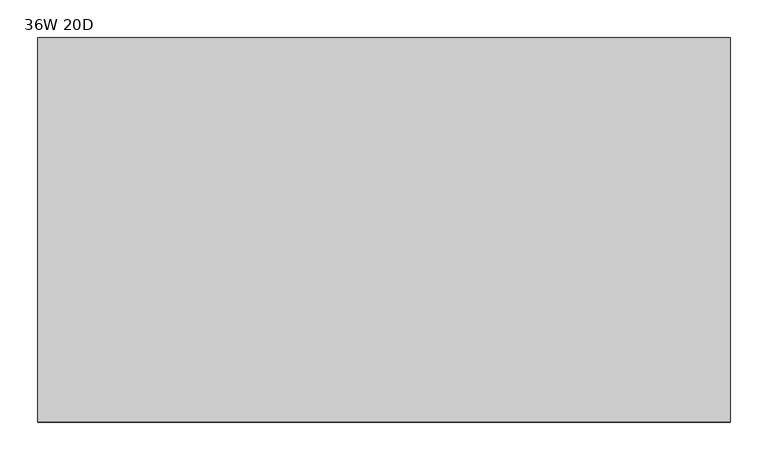
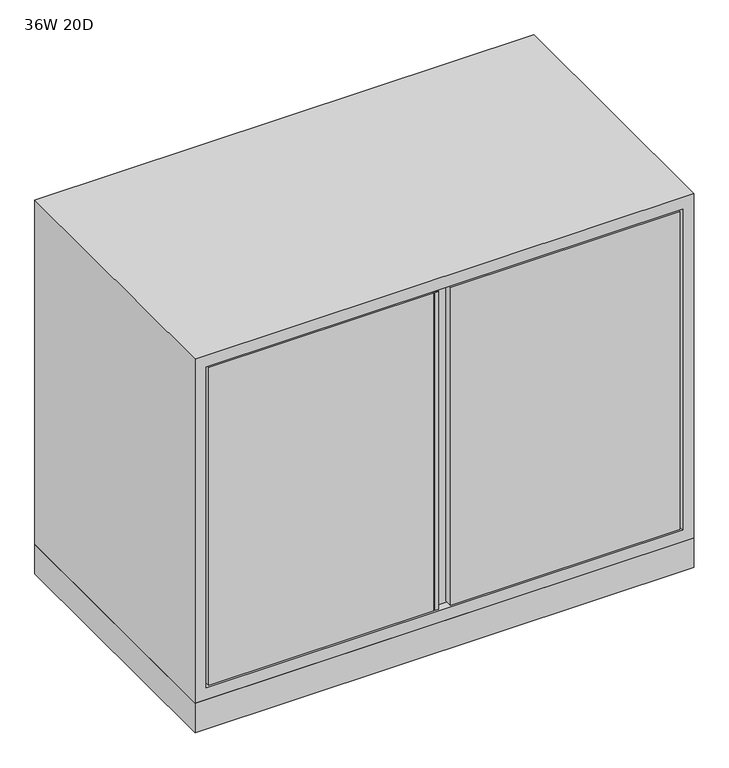
"""IFC4 building model written with IfcOpenShell, lengths in millimetres: furniture geometry, 36W 20D."""

from ifc_helpers import new_model, si_unit, frame, origin, origin_with_axes, place, context, project, spatial, polyline, outline, extrude, faceted_brep, source, transform, mapped, element, save


def furniture_36w_20d_6855e9e8(model_context):
    return source(origin(), model_context, "Body", "SolidModel", [
        extrude(outline(polyline([(440.4641351, -508.0), (440.4641351, -493.0648), (441.3578941, -493.0648), (441.3578941, -507.1057436), (446.8141351, -507.1057436), (446.8141351, -508.0), (440.4641351, -508.0)])), frame((0.0, 0.0, 82.55), z_axis=(0.0, 0.0, 1.0), x_axis=(1.0, 0.0, 0.0)), (0.0, 0.0, 1.0), 615.95),
        faceted_brep([(25.4000008, -493.0648, 82.55), (436.8827476, -493.0648, 82.55), (436.8827476, -508.0, 82.55), (25.4000008, -508.0, 82.55), (0.0, 0.0, 723.9), (0.0, -508.0, 723.9), (914.4, -508.0, 723.9), (914.4, 0.0, 723.9), (0.0, -508.0, 57.15), (914.4, -508.0, 57.15), (20.3200008, -508.0, 701.675), (894.0800242, -508.0, 701.675), (894.0800242, -508.0, 79.375), (20.3200008, -508.0, 79.375), (25.4000008, -508.0, 698.5), (436.8827476, -508.0, 698.5), (889.0000242, -508.0, 82.55), (889.0000242, -508.0, 698.5), (468.6327476, -508.0, 698.5), (468.6327476, -508.0, 82.55), (914.4, 0.0, 57.15), (0.0, 0.0, 57.15), (894.0800242, -493.0648, 701.675), (20.3200008, -493.0648, 701.675), (20.3200008, -493.0648, 79.375), (894.0800242, -493.0648, 79.375), (25.4000008, -493.0648, 698.5), (436.8827476, -493.0648, 698.5), (468.6327476, -493.0648, 698.5), (889.0000242, -493.0648, 698.5), (889.0000242, -493.0648, 82.55), (468.6327476, -493.0648, 82.55)], [[[0, 1, 2, 3]], [[4, 5, 6, 7]], [[6, 5, 8, 9], [10, 11, 12, 13]], [[14, 3, 2, 15]], [[16, 17, 18, 19]], [[4, 7, 20, 21]], [[22, 23, 24, 25], [0, 26, 27, 1], [28, 29, 30, 31]], [[17, 16, 30, 29]], [[29, 28, 18, 17]], [[28, 31, 19, 18]], [[21, 20, 9, 8]], [[5, 4, 21, 8]], [[7, 6, 9, 20]], [[10, 23, 22, 11]], [[24, 13, 12, 25]], [[3, 14, 26, 0]], [[23, 10, 13, 24]], [[11, 22, 25, 12]], [[31, 30, 16, 19]], [[1, 27, 15, 2]], [[27, 26, 14, 15]]]),
        extrude(outline(polyline([(914.4, 0.0), (914.4, -508.0), (0.0, -508.0), (0.0, 0.0), (914.4, 0.0)]), holes=[polyline([(911.86, -2.54), (2.54, -2.54), (2.54, -487.68), (911.86, -487.68), (911.86, -2.54)])]), origin_with_axes(), (0.0, 0.0, 1.0), 57.15),
    ])


if __name__ == "__main__":
    model = new_model("IFC4")
    model_context = context("Model", 3, world=origin())
    ifc_project = project(units=[si_unit("LENGTHUNIT", "METRE", prefix="MILLI")], contexts=[model_context])
    site = spatial("IfcSite", under=ifc_project)
    building = spatial("IfcBuilding", under=site)
    placement = place(None, origin())
    furniture_36w_20d_shape = furniture_36w_20d_6855e9e8(model_context)
    element("IfcFurniture", 1, ObjectType="36W 20D", at=placement, inside=building, context=model_context, shape_type="MappedRepresentation", body=[
        mapped(furniture_36w_20d_shape, transform((0.0, 0.0, 0.0), x_axis=(1.0, 0.0, 0.0), y_axis=(0.0, 1.0, 0.0), z_axis=(0.0, 0.0, 1.0))),
    ])
    save(model, "model.ifc")
